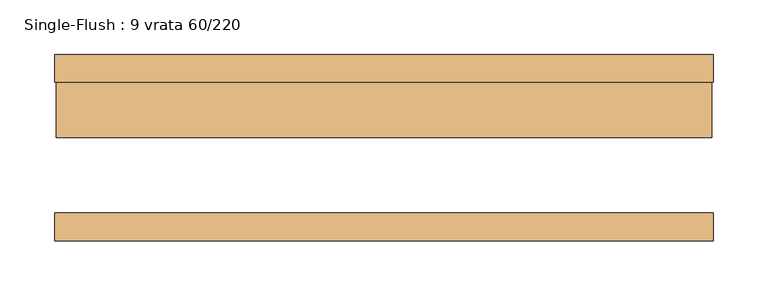
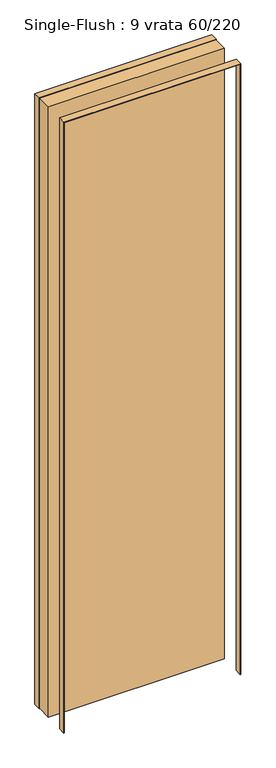
"""IFC4 building model written with IfcOpenShell, lengths in millimetres: door geometry, Single-Flush : 9 vrata 60/220."""

import ifcopenshell
import ifcopenshell.guid

model = None  # the IFC model being written
_history = None  # IfcOwnerHistory: only IFC2X3 demands one
_inside = {}  # id of a spatial element -> (the spatial element, [elements in it])
_under = {}  # id of a project, library or spatial element -> (it, [spatial elements below it])
_declared = {}  # id of a project -> (the project, [libraries it declares])
_typed = {}  # id of a type object -> (the type object, [elements of that type])
_made_of = {}  # id of a material, layer set ... -> (it, [elements and type objects made of it])


def new_model(schema):
    """Start an empty IFC model of exactly this schema.

    Asked for "IFC4X3", IfcOpenShell would pick the latest addendum, in which some entities
    have other attributes; the version numbers below select the first issue.
    IFC2X3 requires an IfcOwnerHistory on every rooted entity: one is made here for all.
    """
    global model, _history
    if schema == "IFC4X3":
        model = ifcopenshell.file(schema_version=(4, 3, 0, 0))
    else:
        model = ifcopenshell.file(schema=schema)
    _inside.clear()
    _under.clear()
    _declared.clear()
    _typed.clear()
    _made_of.clear()
    _history = None
    if model.schema == "IFC2X3":
        org = make("IfcOrganization", Name="unknown")
        user = make(
            "IfcPersonAndOrganization",
            ThePerson=make("IfcPerson", FamilyName="unknown"),
            TheOrganization=org,
        )
        app = make(
            "IfcApplication",
            ApplicationDeveloper=org,
            Version="unknown",
            ApplicationFullName="unknown",
            ApplicationIdentifier="unknown",
        )
        _history = make(
            "IfcOwnerHistory",
            OwningUser=user,
            OwningApplication=app,
            ChangeAction="ADDED",
            CreationDate=0,
        )
    return model


def make(cls, **values):
    """One entity of the class cls with the attributes given. An attribute that is None is left unset."""
    return model.create_entity(
        cls, **{name: value for name, value in values.items() if value is not None}
    )


def rooted(cls, **values):
    """An entity with a GlobalId (a new one), such as an element, a storey or a relation."""
    return make(cls, GlobalId=ifcopenshell.guid.new(), OwnerHistory=_history, **values)


def si_unit(unit_type, name, prefix=None):
    """IfcSIUnit, for example si_unit("LENGTHUNIT", "METRE", prefix="MILLI")."""
    return make("IfcSIUnit", UnitType=unit_type, Prefix=prefix, Name=name)


def assignment(units):
    """IfcUnitAssignment: the units of a project."""
    return None if units is None else make("IfcUnitAssignment", Units=units)


def point(xyz):
    """IfcCartesianPoint."""
    return None if xyz is None else make("IfcCartesianPoint", Coordinates=xyz)


def direction(xyz):
    """IfcDirection."""
    return None if xyz is None else make("IfcDirection", DirectionRatios=xyz)


def frame(location, z_axis=None, x_axis=None):
    """IfcAxis2Placement3D, a coordinate frame: its origin and axes. An axis left out is left unset."""
    return make(
        "IfcAxis2Placement3D",
        Location=point(location),
        Axis=direction(z_axis),
        RefDirection=direction(x_axis),
    )


def origin():
    """The frame at (0, 0, 0) with its axes left unset."""
    return frame((0.0, 0.0, 0.0))


def origin_with_axes():
    """The frame at (0, 0, 0) with the z axis (0, 0, 1) and the x axis (1, 0, 0) written out."""
    return frame((0.0, 0.0, 0.0), z_axis=(0.0, 0.0, 1.0), x_axis=(1.0, 0.0, 0.0))


def place(relative_to, where):
    """IfcLocalPlacement: puts the frame where relative to a parent placement (None: the world)."""
    return make(
        "IfcLocalPlacement", PlacementRelTo=relative_to, RelativePlacement=where
    )


def context(
    kind, dimensions, precision=None, world=None, true_north=None, identifier=None
):
    """IfcGeometricRepresentationContext, for example the 3D "Model" context."""
    return make(
        "IfcGeometricRepresentationContext",
        ContextIdentifier=identifier,
        ContextType=kind,
        CoordinateSpaceDimension=dimensions,
        Precision=precision,
        WorldCoordinateSystem=world,
        TrueNorth=true_north,
    )


def project(units=None, contexts=None):
    """IfcProject with its units and contexts."""
    return rooted(
        "IfcProject",
        Name="project",
        RepresentationContexts=contexts,
        UnitsInContext=assignment(units),
    )


def spatial(cls, under=None, at=None, **own):
    """A site, building, storey or space (cls), placed at a placement, below another one or the project."""
    s = rooted(cls, ObjectPlacement=at, **own)
    if under is not None:
        _under.setdefault(under.id(), (under, []))[1].append(s)
    return s


def polyline(points):
    """IfcPolyline through the points."""
    return make("IfcPolyline", Points=[point(p) for p in points])


def outline(outer, holes=None, kind="AREA"):
    """IfcArbitraryClosedProfileDef: a profile drawn as a closed curve; with holes, ...WithVoids."""
    if holes is None:
        return make("IfcArbitraryClosedProfileDef", ProfileType=kind, OuterCurve=outer)
    return make(
        "IfcArbitraryProfileDefWithVoids",
        ProfileType=kind,
        OuterCurve=outer,
        InnerCurves=holes,
    )


def extrude(swept, where, along, depth):
    """IfcExtrudedAreaSolid: the profile swept, set in the frame where, extruded along a direction by depth."""
    return make(
        "IfcExtrudedAreaSolid",
        SweptArea=swept,
        Position=where,
        ExtrudedDirection=direction(along),
        Depth=depth,
    )


def shape(context_of_items, identifier, shape_type, items):
    """IfcShapeRepresentation: the items that make up one representation, for example the "Body"."""
    return make(
        "IfcShapeRepresentation",
        ContextOfItems=context_of_items,
        RepresentationIdentifier=identifier,
        RepresentationType=shape_type,
        Items=items,
    )


def source(mapping_origin, context_of_items, identifier, shape_type, items):
    """IfcRepresentationMap: a shape defined once, which mapped items show again and again."""
    return make(
        "IfcRepresentationMap",
        MappingOrigin=mapping_origin,
        MappedRepresentation=shape(context_of_items, identifier, shape_type, items),
    )


def transform(
    local_origin,
    x_axis=None,
    y_axis=None,
    z_axis=None,
    scale=None,
    scale2=None,
    scale3=None,
    uniform=True,
):
    """IfcCartesianTransformationOperator3D, or its non-uniform kind. x_axis, y_axis, z_axis: its Axis1, 2, 3."""
    if uniform:
        return make(
            "IfcCartesianTransformationOperator3D",
            Axis1=direction(x_axis),
            Axis2=direction(y_axis),
            LocalOrigin=point(local_origin),
            Scale=scale,
            Axis3=direction(z_axis),
        )
    return make(
        "IfcCartesianTransformationOperator3DnonUniform",
        Axis1=direction(x_axis),
        Axis2=direction(y_axis),
        LocalOrigin=point(local_origin),
        Scale=scale,
        Axis3=direction(z_axis),
        Scale2=scale2,
        Scale3=scale3,
    )


def mapped(mapping_source, mapping_target):
    """IfcMappedItem: shows the shape of a source again, moved by a transform."""
    return make(
        "IfcMappedItem", MappingSource=mapping_source, MappingTarget=mapping_target
    )


def made_of(thing, what):
    """Note that an element or type object is made of a material, layer set ...; save() writes the relation."""
    if what is not None:
        _made_of.setdefault(what.id(), (what, []))[1].append(thing)
    return thing


def element(
    cls,
    number,
    at=None,
    inside=None,
    cuts=None,
    type_object=None,
    material=None,
    context=None,
    identifier="Body",
    shape_type=None,
    held_by="IfcProductDefinitionShape",
    body=None,
    shapes=None,
    **own,
):
    """One element of the class cls, such as IfcWall. Its Tag is "e" and its number.

    at: its placement. inside: the storey or other place that contains it. cuts: it is an
    opening in that element (IfcRelVoidsElement). A single representation is given by context,
    identifier, shape_type and body (its items); several are given by shapes. held_by: the class
    of the entity that holds the representations. save() writes the other relations.
    """
    e = rooted(cls, Tag="e%d" % number, ObjectPlacement=at, **own)
    if body is not None:
        shapes = [shape(context, identifier, shape_type, body)]
    if shapes is not None:
        e.Representation = make(held_by, Representations=shapes)
    if inside is not None:
        _inside.setdefault(inside.id(), (inside, []))[1].append(e)
    if cuts is not None:
        rooted(
            "IfcRelVoidsElement", RelatingBuildingElement=cuts, RelatedOpeningElement=e
        )
    if type_object is not None:
        _typed.setdefault(type_object.id(), (type_object, []))[1].append(e)
    return made_of(e, material)


def aggregate(whole, parts):
    """IfcRelAggregates: a whole, such as a stair, and the parts it consists of."""
    return rooted("IfcRelAggregates", RelatingObject=whole, RelatedObjects=parts)


def save(model, path):
    """Write the relations noted so far, then the file.

    IfcRelAggregates (storeys below a building ...), IfcRelContainedInSpatialStructure (elements
    in a storey), IfcRelDefinesByType, IfcRelAssociatesMaterial and IfcRelDeclares: one each for
    every whole, place, type object, material and project.
    """
    for whole, parts in _under.values():
        aggregate(whole, parts)
    for where, things in _inside.values():
        rooted(
            "IfcRelContainedInSpatialStructure",
            RelatedElements=things,
            RelatingStructure=where,
        )
    for kind, things in _typed.values():
        rooted("IfcRelDefinesByType", RelatedObjects=things, RelatingType=kind)
    for what, things in _made_of.values():
        rooted("IfcRelAssociatesMaterial", RelatedObjects=things, RelatingMaterial=what)
    for by, libraries in _declared.values():
        rooted("IfcRelDeclares", RelatingContext=by, RelatedDefinitions=libraries)
    model.write(path)


def single_flush_9_vrata_60_220_e12948fd(model_context):
    return source(origin(), model_context, "Body", "SweptSolid", [
        extrude(outline(polyline([(2201.5875, -301.5875), (0.0, -301.5875), (0.0, -300.0), (2200.0, -300.0), (2200.0, 300.0), (0.0, 300.0), (0.0, 301.5875), (2201.5875, 301.5875), (2201.5875, -301.5875)])), frame((0.0, 60.0, 0.0), z_axis=(0.0, 1.0, 0.0), x_axis=(0.0, 0.0, 1.0)), (0.0, 0.0, 1.0), 25.4),
        extrude(outline(polyline([(2201.5875, 301.5875), (2201.5875, -301.5875), (0.0, -301.5875), (0.0, -300.0), (2200.0, -300.0), (2200.0, 300.0), (0.0, 300.0), (0.0, 301.5875), (2201.5875, 301.5875)])), frame((0.0, -85.4, 0.0), z_axis=(0.0, 1.0, 0.0), x_axis=(0.0, 0.0, 1.0)), (0.0, 0.0, 1.0), 25.4),
        extrude(outline(polyline([(300.0, 9.2), (-300.0, 9.2), (-300.0, 60.0), (300.0, 60.0), (300.0, 9.2)])), origin_with_axes(), (0.0, 0.0, 1.0), 2200.0),
    ])


if __name__ == "__main__":
    model = new_model("IFC4")
    model_context = context("Model", 3, world=origin())
    ifc_project = project(units=[si_unit("LENGTHUNIT", "METRE", prefix="MILLI")], contexts=[model_context])
    site = spatial("IfcSite", under=ifc_project)
    building = spatial("IfcBuilding", under=site)
    placement = place(None, origin())
    single_flush_9_vrata_60_220_shape = single_flush_9_vrata_60_220_e12948fd(model_context)
    element("IfcDoor", 1, ObjectType="Single-Flush : 9 vrata 60/220", at=placement, inside=building, context=model_context, shape_type="MappedRepresentation", body=[
        mapped(single_flush_9_vrata_60_220_shape, transform((0.0, 0.0, 0.0), x_axis=(1.0, 0.0, 0.0), y_axis=(0.0, 1.0, 0.0), z_axis=(0.0, 0.0, 1.0))),
    ])
    save(model, "model.ifc")
